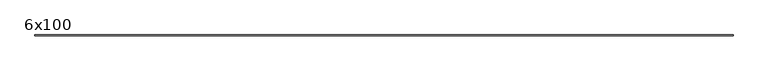
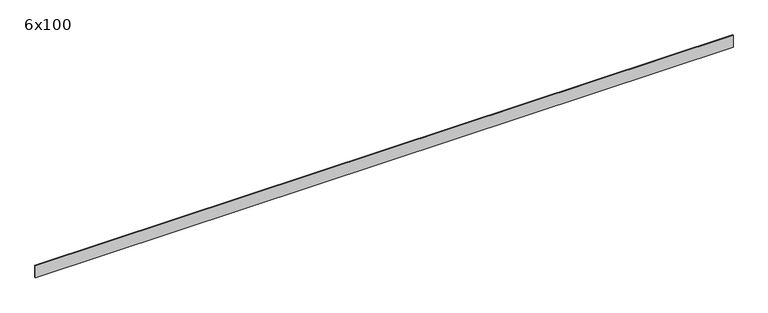
"""IFC4 building model written with IfcOpenShell, lengths in millimetres: beam geometry, 6x100."""

from ifc_helpers import new_model, si_unit, frame, origin, place, context, project, spatial, polyline, outline, extrude, source, transform, mapped, element, save


def beam_6x100_4b6457b3(model_context):
    return source(origin(), model_context, "Body", "SweptSolid", [
        extrude(outline(polyline([(2796.8253408, 3.0), (2796.8253408, -3.0), (-2807.3610437, -3.0), (-2807.3610437, 3.0), (2796.8253408, 3.0)])), frame((0.0, 0.0, -50.0), z_axis=(0.0, 0.0, 1.0), x_axis=(1.0, 0.0, 0.0)), (0.0, 0.0, 1.0), 100.0),
    ])


if __name__ == "__main__":
    model = new_model("IFC4")
    model_context = context("Model", 3, world=origin())
    ifc_project = project(units=[si_unit("LENGTHUNIT", "METRE", prefix="MILLI")], contexts=[model_context])
    site = spatial("IfcSite", under=ifc_project)
    building = spatial("IfcBuilding", under=site)
    placement = place(None, origin())
    beam_6x100_shape = beam_6x100_4b6457b3(model_context)
    element("IfcBeam", 1, ObjectType="6x100", at=placement, inside=building, context=model_context, shape_type="MappedRepresentation", body=[
        mapped(beam_6x100_shape, transform((0.0, 0.0, 0.0), x_axis=(1.0, 0.0, 0.0), y_axis=(0.0, 1.0, 0.0), z_axis=(0.0, 0.0, 1.0))),
    ])
    save(model, "model.ifc")
